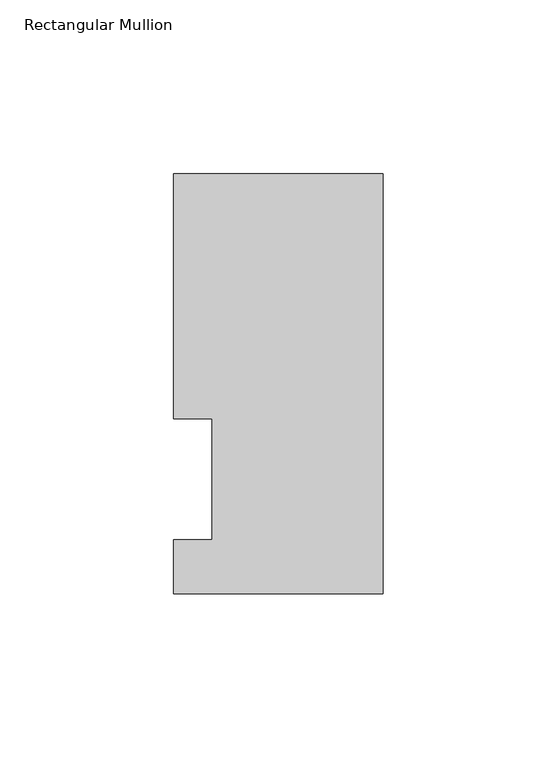
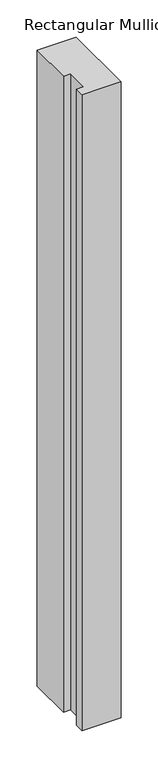
"""IFC4 building model written with IfcOpenShell, lengths in millimetres: member geometry, Rectangular Mullion."""

import ifcopenshell
import ifcopenshell.guid

model = None  # the IFC model being written
_history = None  # IfcOwnerHistory: only IFC2X3 demands one
_inside = {}  # id of a spatial element -> (the spatial element, [elements in it])
_under = {}  # id of a project, library or spatial element -> (it, [spatial elements below it])
_declared = {}  # id of a project -> (the project, [libraries it declares])
_typed = {}  # id of a type object -> (the type object, [elements of that type])
_made_of = {}  # id of a material, layer set ... -> (it, [elements and type objects made of it])


def new_model(schema):
    """Start an empty IFC model of exactly this schema.

    Asked for "IFC4X3", IfcOpenShell would pick the latest addendum, in which some entities
    have other attributes; the version numbers below select the first issue.
    IFC2X3 requires an IfcOwnerHistory on every rooted entity: one is made here for all.
    """
    global model, _history
    if schema == "IFC4X3":
        model = ifcopenshell.file(schema_version=(4, 3, 0, 0))
    else:
        model = ifcopenshell.file(schema=schema)
    _inside.clear()
    _under.clear()
    _declared.clear()
    _typed.clear()
    _made_of.clear()
    _history = None
    if model.schema == "IFC2X3":
        org = make("IfcOrganization", Name="unknown")
        user = make(
            "IfcPersonAndOrganization",
            ThePerson=make("IfcPerson", FamilyName="unknown"),
            TheOrganization=org,
        )
        app = make(
            "IfcApplication",
            ApplicationDeveloper=org,
            Version="unknown",
            ApplicationFullName="unknown",
            ApplicationIdentifier="unknown",
        )
        _history = make(
            "IfcOwnerHistory",
            OwningUser=user,
            OwningApplication=app,
            ChangeAction="ADDED",
            CreationDate=0,
        )
    return model


def make(cls, **values):
    """One entity of the class cls with the attributes given. An attribute that is None is left unset."""
    return model.create_entity(
        cls, **{name: value for name, value in values.items() if value is not None}
    )


def rooted(cls, **values):
    """An entity with a GlobalId (a new one), such as an element, a storey or a relation."""
    return make(cls, GlobalId=ifcopenshell.guid.new(), OwnerHistory=_history, **values)


def si_unit(unit_type, name, prefix=None):
    """IfcSIUnit, for example si_unit("LENGTHUNIT", "METRE", prefix="MILLI")."""
    return make("IfcSIUnit", UnitType=unit_type, Prefix=prefix, Name=name)


def assignment(units):
    """IfcUnitAssignment: the units of a project."""
    return None if units is None else make("IfcUnitAssignment", Units=units)


def point(xyz):
    """IfcCartesianPoint."""
    return None if xyz is None else make("IfcCartesianPoint", Coordinates=xyz)


def direction(xyz):
    """IfcDirection."""
    return None if xyz is None else make("IfcDirection", DirectionRatios=xyz)


def frame(location, z_axis=None, x_axis=None):
    """IfcAxis2Placement3D, a coordinate frame: its origin and axes. An axis left out is left unset."""
    return make(
        "IfcAxis2Placement3D",
        Location=point(location),
        Axis=direction(z_axis),
        RefDirection=direction(x_axis),
    )


def origin():
    """The frame at (0, 0, 0) with its axes left unset."""
    return frame((0.0, 0.0, 0.0))


def place(relative_to, where):
    """IfcLocalPlacement: puts the frame where relative to a parent placement (None: the world)."""
    return make(
        "IfcLocalPlacement", PlacementRelTo=relative_to, RelativePlacement=where
    )


def context(
    kind, dimensions, precision=None, world=None, true_north=None, identifier=None
):
    """IfcGeometricRepresentationContext, for example the 3D "Model" context."""
    return make(
        "IfcGeometricRepresentationContext",
        ContextIdentifier=identifier,
        ContextType=kind,
        CoordinateSpaceDimension=dimensions,
        Precision=precision,
        WorldCoordinateSystem=world,
        TrueNorth=true_north,
    )


def project(units=None, contexts=None):
    """IfcProject with its units and contexts."""
    return rooted(
        "IfcProject",
        Name="project",
        RepresentationContexts=contexts,
        UnitsInContext=assignment(units),
    )


def spatial(cls, under=None, at=None, **own):
    """A site, building, storey or space (cls), placed at a placement, below another one or the project."""
    s = rooted(cls, ObjectPlacement=at, **own)
    if under is not None:
        _under.setdefault(under.id(), (under, []))[1].append(s)
    return s


def polyline(points):
    """IfcPolyline through the points."""
    return make("IfcPolyline", Points=[point(p) for p in points])


def outline(outer, holes=None, kind="AREA"):
    """IfcArbitraryClosedProfileDef: a profile drawn as a closed curve; with holes, ...WithVoids."""
    if holes is None:
        return make("IfcArbitraryClosedProfileDef", ProfileType=kind, OuterCurve=outer)
    return make(
        "IfcArbitraryProfileDefWithVoids",
        ProfileType=kind,
        OuterCurve=outer,
        InnerCurves=holes,
    )


def extrude(swept, where, along, depth):
    """IfcExtrudedAreaSolid: the profile swept, set in the frame where, extruded along a direction by depth."""
    return make(
        "IfcExtrudedAreaSolid",
        SweptArea=swept,
        Position=where,
        ExtrudedDirection=direction(along),
        Depth=depth,
    )


def shape(context_of_items, identifier, shape_type, items):
    """IfcShapeRepresentation: the items that make up one representation, for example the "Body"."""
    return make(
        "IfcShapeRepresentation",
        ContextOfItems=context_of_items,
        RepresentationIdentifier=identifier,
        RepresentationType=shape_type,
        Items=items,
    )


def source(mapping_origin, context_of_items, identifier, shape_type, items):
    """IfcRepresentationMap: a shape defined once, which mapped items show again and again."""
    return make(
        "IfcRepresentationMap",
        MappingOrigin=mapping_origin,
        MappedRepresentation=shape(context_of_items, identifier, shape_type, items),
    )


def transform(
    local_origin,
    x_axis=None,
    y_axis=None,
    z_axis=None,
    scale=None,
    scale2=None,
    scale3=None,
    uniform=True,
):
    """IfcCartesianTransformationOperator3D, or its non-uniform kind. x_axis, y_axis, z_axis: its Axis1, 2, 3."""
    if uniform:
        return make(
            "IfcCartesianTransformationOperator3D",
            Axis1=direction(x_axis),
            Axis2=direction(y_axis),
            LocalOrigin=point(local_origin),
            Scale=scale,
            Axis3=direction(z_axis),
        )
    return make(
        "IfcCartesianTransformationOperator3DnonUniform",
        Axis1=direction(x_axis),
        Axis2=direction(y_axis),
        LocalOrigin=point(local_origin),
        Scale=scale,
        Axis3=direction(z_axis),
        Scale2=scale2,
        Scale3=scale3,
    )


def mapped(mapping_source, mapping_target):
    """IfcMappedItem: shows the shape of a source again, moved by a transform."""
    return make(
        "IfcMappedItem", MappingSource=mapping_source, MappingTarget=mapping_target
    )


def made_of(thing, what):
    """Note that an element or type object is made of a material, layer set ...; save() writes the relation."""
    if what is not None:
        _made_of.setdefault(what.id(), (what, []))[1].append(thing)
    return thing


def element(
    cls,
    number,
    at=None,
    inside=None,
    cuts=None,
    type_object=None,
    material=None,
    context=None,
    identifier="Body",
    shape_type=None,
    held_by="IfcProductDefinitionShape",
    body=None,
    shapes=None,
    **own,
):
    """One element of the class cls, such as IfcWall. Its Tag is "e" and its number.

    at: its placement. inside: the storey or other place that contains it. cuts: it is an
    opening in that element (IfcRelVoidsElement). A single representation is given by context,
    identifier, shape_type and body (its items); several are given by shapes. held_by: the class
    of the entity that holds the representations. save() writes the other relations.
    """
    e = rooted(cls, Tag="e%d" % number, ObjectPlacement=at, **own)
    if body is not None:
        shapes = [shape(context, identifier, shape_type, body)]
    if shapes is not None:
        e.Representation = make(held_by, Representations=shapes)
    if inside is not None:
        _inside.setdefault(inside.id(), (inside, []))[1].append(e)
    if cuts is not None:
        rooted(
            "IfcRelVoidsElement", RelatingBuildingElement=cuts, RelatedOpeningElement=e
        )
    if type_object is not None:
        _typed.setdefault(type_object.id(), (type_object, []))[1].append(e)
    return made_of(e, material)


def aggregate(whole, parts):
    """IfcRelAggregates: a whole, such as a stair, and the parts it consists of."""
    return rooted("IfcRelAggregates", RelatingObject=whole, RelatedObjects=parts)


def save(model, path):
    """Write the relations noted so far, then the file.

    IfcRelAggregates (storeys below a building ...), IfcRelContainedInSpatialStructure (elements
    in a storey), IfcRelDefinesByType, IfcRelAssociatesMaterial and IfcRelDeclares: one each for
    every whole, place, type object, material and project.
    """
    for whole, parts in _under.values():
        aggregate(whole, parts)
    for where, things in _inside.values():
        rooted(
            "IfcRelContainedInSpatialStructure",
            RelatedElements=things,
            RelatingStructure=where,
        )
    for kind, things in _typed.values():
        rooted("IfcRelDefinesByType", RelatedObjects=things, RelatingType=kind)
    for what, things in _made_of.values():
        rooted("IfcRelAssociatesMaterial", RelatedObjects=things, RelatingMaterial=what)
    for by, libraries in _declared.values():
        rooted("IfcRelDeclares", RelatingContext=by, RelatedDefinitions=libraries)
    model.write(path)


def rectangular_mullion_4baf8dca(model_context):
    return source(origin(), model_context, "Body", "SweptSolid", [
        extrude(outline(polyline([(0.0, 117.503575), (0.0, -3.298825), (-60.325, -3.298825), (-60.325, 12.144375), (-49.2125, 12.144375), (-49.2125, 47.069375), (-60.325, 47.069375), (-60.325, 117.503575), (0.0, 117.503575)])), frame((0.0, 0.0, -1041.4), z_axis=(0.0, 0.0, 1.0), x_axis=(1.0, 0.0, 0.0)), (0.0, 0.0, 1.0), 1041.4),
    ])


if __name__ == "__main__":
    model = new_model("IFC4")
    model_context = context("Model", 3, world=origin())
    ifc_project = project(units=[si_unit("LENGTHUNIT", "METRE", prefix="MILLI")], contexts=[model_context])
    site = spatial("IfcSite", under=ifc_project)
    building = spatial("IfcBuilding", under=site)
    placement = place(None, origin())
    rectangular_mullion_shape = rectangular_mullion_4baf8dca(model_context)
    element("IfcMember", 1, ObjectType="Rectangular Mullion", at=placement, inside=building, context=model_context, shape_type="MappedRepresentation", body=[
        mapped(rectangular_mullion_shape, transform((0.0, 0.0, 0.0), x_axis=(1.0, 0.0, 0.0), y_axis=(0.0, 1.0, 0.0), z_axis=(0.0, 0.0, 1.0))),
    ])
    save(model, "model.ifc")
